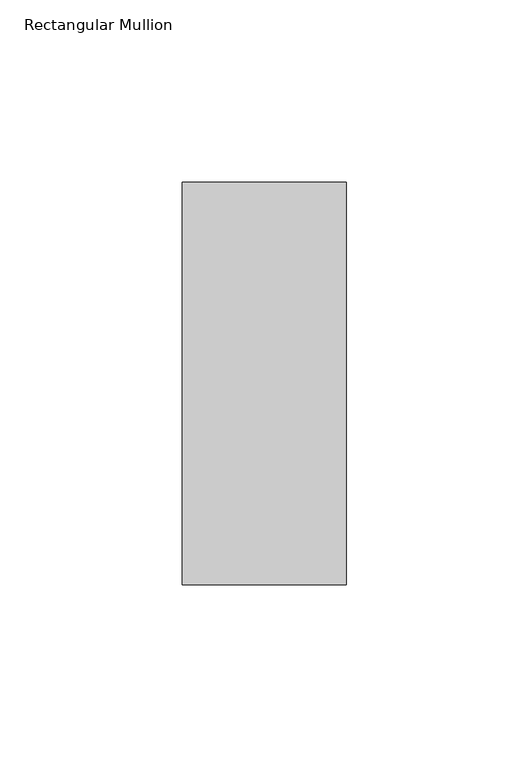
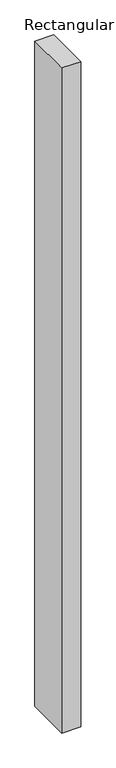
"""IFC4 building model written with IfcOpenShell, lengths in millimetres: member geometry, Rectangular Mullion."""

from ifc_helpers import new_model, si_unit, frame, origin, place, context, project, spatial, polyline, outline, extrude, source, transform, mapped, element, save


def rectangular_mullion_6a30839d(model_context):
    return source(origin(), model_context, "Body", "SweptSolid", [
        extrude(outline(polyline([(22.5, 70.7), (22.5, -39.7), (-22.5, -39.7), (-22.5, 70.7), (22.5, 70.7)])), frame((0.0, 0.0, -1669.7807424), z_axis=(0.0, 0.0, 1.0), x_axis=(1.0, 0.0, 0.0)), (0.0, 0.0, 1.0), 1669.7807424),
    ])


if __name__ == "__main__":
    model = new_model("IFC4")
    model_context = context("Model", 3, world=origin())
    ifc_project = project(units=[si_unit("LENGTHUNIT", "METRE", prefix="MILLI")], contexts=[model_context])
    site = spatial("IfcSite", under=ifc_project)
    building = spatial("IfcBuilding", under=site)
    placement = place(None, origin())
    rectangular_mullion_shape = rectangular_mullion_6a30839d(model_context)
    element("IfcMember", 1, ObjectType="Rectangular Mullion", at=placement, inside=building, context=model_context, shape_type="MappedRepresentation", body=[
        mapped(rectangular_mullion_shape, transform((0.0, 0.0, 0.0), x_axis=(1.0, 0.0, 0.0), y_axis=(0.0, 1.0, 0.0), z_axis=(0.0, 0.0, 1.0))),
    ])
    save(model, "model.ifc")
